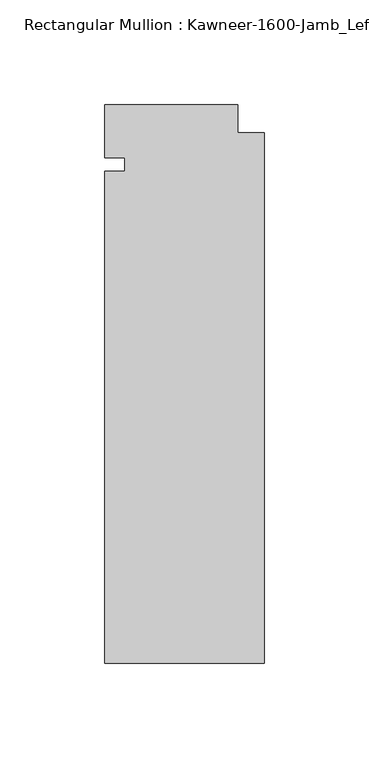
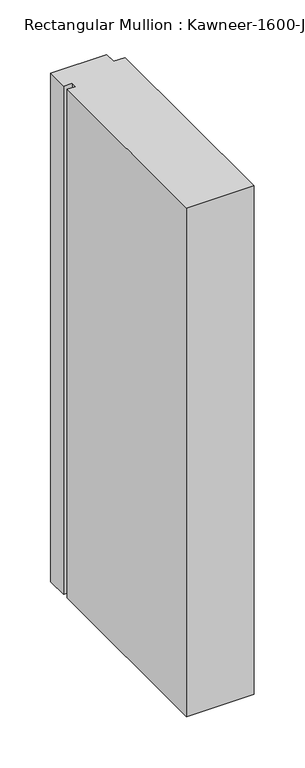
"""IFC4 building model written with IfcOpenShell, lengths in millimetres: member geometry."""

from ifc_helpers import new_model, si_unit, frame, origin, place, context, project, spatial, polyline, outline, extrude, source, transform, mapped, element, save


def member_1f6520b0(model_context):
    return source(origin(), model_context, "Body", "SweptSolid", [
        extrude(outline(polyline([(-76.2, 6.35), (-66.675, 6.35), (-66.675, 12.7), (-76.2, 12.7), (-76.2, 38.1), (-12.7, 38.1), (-12.7, 24.60625), (0.0, 24.60625), (0.0, -228.6), (-76.2, -228.6), (-76.2, 6.35)])), frame((0.0, 0.0, -609.6), z_axis=(0.0, 0.0, 1.0), x_axis=(1.0, 0.0, 0.0)), (0.0, 0.0, 1.0), 609.6),
    ])


if __name__ == "__main__":
    model = new_model("IFC4")
    model_context = context("Model", 3, world=origin())
    ifc_project = project(units=[si_unit("LENGTHUNIT", "METRE", prefix="MILLI")], contexts=[model_context])
    site = spatial("IfcSite", under=ifc_project)
    building = spatial("IfcBuilding", under=site)
    placement = place(None, origin())
    member_shape = member_1f6520b0(model_context)
    element("IfcMember", 1, ObjectType="Rectangular Mullion : Kawneer-1600-Jamb_Left-System1-10_1/2\"-1/4\"Infill-3/8\"Offset", at=placement, inside=building, context=model_context, shape_type="MappedRepresentation", body=[
        mapped(member_shape, transform((0.0, 0.0, 0.0), x_axis=(1.0, 0.0, 0.0), y_axis=(0.0, 1.0, 0.0), z_axis=(0.0, 0.0, 1.0))),
    ])
    save(model, "model.ifc")
